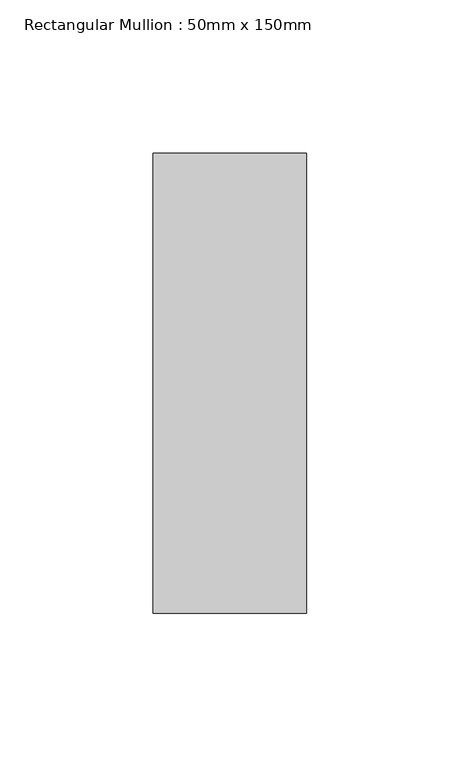
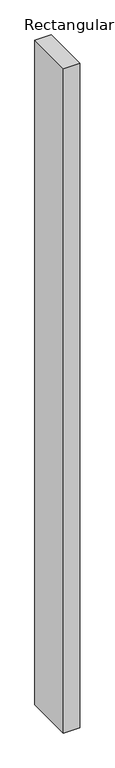
"""IFC4 building model written with IfcOpenShell, lengths in millimetres: member geometry, Rectangular Mullion : 50mm x 150mm."""

from ifc_helpers import new_model, si_unit, frame, origin, place, context, project, spatial, polyline, outline, extrude, source, transform, mapped, element, save


def rectangular_mullion_50mm_x_150mm_a93d860a(model_context):
    return source(origin(), model_context, "Body", "SweptSolid", [
        extrude(outline(polyline([(25.0, 75.0), (25.0, -75.0), (-25.0, -75.0), (-25.0, 75.0), (25.0, 75.0)])), frame((0.0, 0.0, -2133.4195363), z_axis=(0.0, 0.0, 1.0), x_axis=(1.0, 0.0, 0.0)), (0.0, 0.0, 1.0), 2133.4195363),
    ])


if __name__ == "__main__":
    model = new_model("IFC4")
    model_context = context("Model", 3, world=origin())
    ifc_project = project(units=[si_unit("LENGTHUNIT", "METRE", prefix="MILLI")], contexts=[model_context])
    site = spatial("IfcSite", under=ifc_project)
    building = spatial("IfcBuilding", under=site)
    placement = place(None, origin())
    rectangular_mullion_50mm_x_150mm_shape = rectangular_mullion_50mm_x_150mm_a93d860a(model_context)
    element("IfcMember", 1, ObjectType="Rectangular Mullion : 50mm x 150mm", at=placement, inside=building, context=model_context, shape_type="MappedRepresentation", body=[
        mapped(rectangular_mullion_50mm_x_150mm_shape, transform((0.0, 0.0, 0.0), x_axis=(1.0, 0.0, 0.0), y_axis=(0.0, 1.0, 0.0), z_axis=(0.0, 0.0, 1.0))),
    ])
    save(model, "model.ifc")
